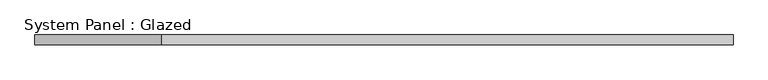
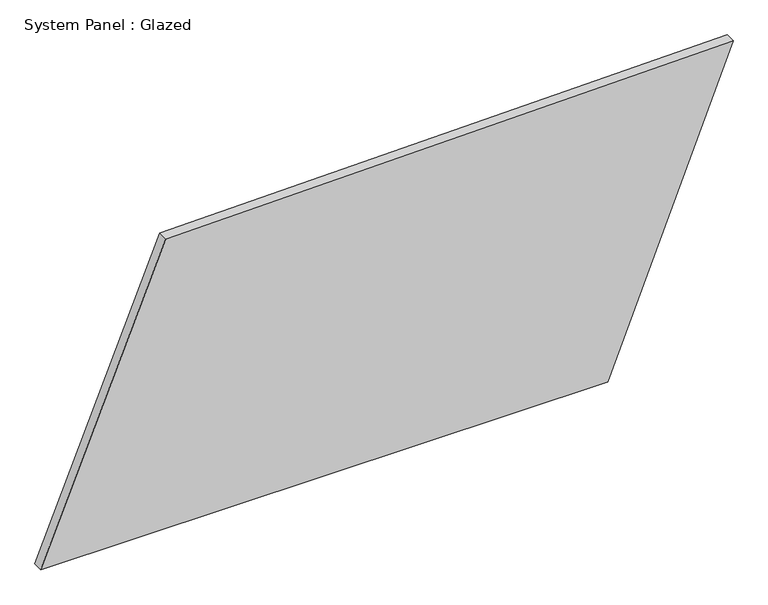
"""IFC4 building model written with IfcOpenShell, lengths in millimetres: plate geometry, System Panel : Glazed."""

from ifc_helpers import new_model, si_unit, frame, origin, place, context, project, spatial, polyline, outline, extrude, source, transform, mapped, element, save


def system_panel_glazed_bf006e68(model_context):
    return source(origin(), model_context, "Body", "SweptSolid", [
        extrude(outline(polyline([(0.0, -876.1978948), (0.0, 558.6452211), (803.2789982, 876.1978948), (774.9229412, -559.6855229), (0.0, -876.1978948)])), frame((0.0, -49.5, 0.0), z_axis=(0.0, 1.0, 0.0), x_axis=(0.0, 0.0, 1.0)), (0.0, 0.0, 1.0), 25.0),
    ])


if __name__ == "__main__":
    model = new_model("IFC4")
    model_context = context("Model", 3, world=origin())
    ifc_project = project(units=[si_unit("LENGTHUNIT", "METRE", prefix="MILLI")], contexts=[model_context])
    site = spatial("IfcSite", under=ifc_project)
    building = spatial("IfcBuilding", under=site)
    placement = place(None, origin())
    system_panel_glazed_shape = system_panel_glazed_bf006e68(model_context)
    element("IfcPlate", 1, ObjectType="System Panel : Glazed", at=placement, inside=building, context=model_context, shape_type="MappedRepresentation", body=[
        mapped(system_panel_glazed_shape, transform((0.0, 0.0, 0.0), x_axis=(1.0, 0.0, 0.0), y_axis=(0.0, 1.0, 0.0), z_axis=(0.0, 0.0, 1.0))),
    ])
    save(model, "model.ifc")
